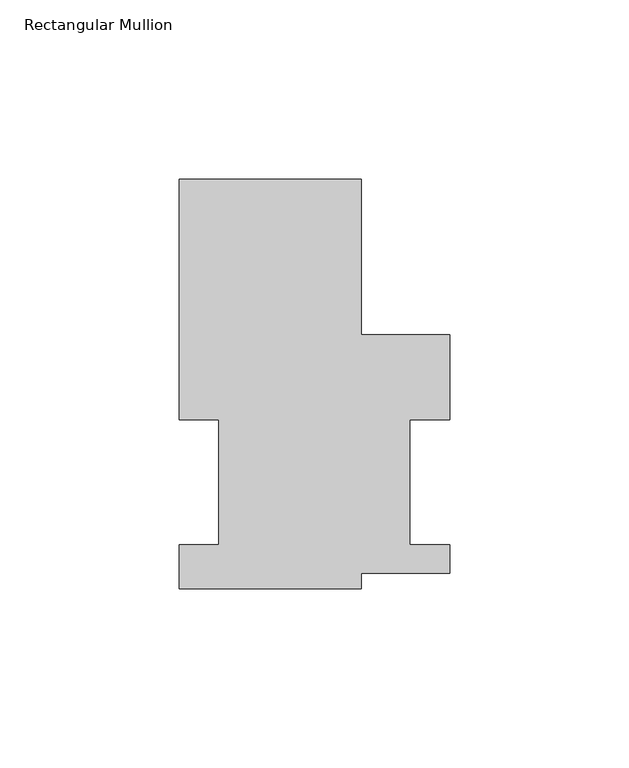
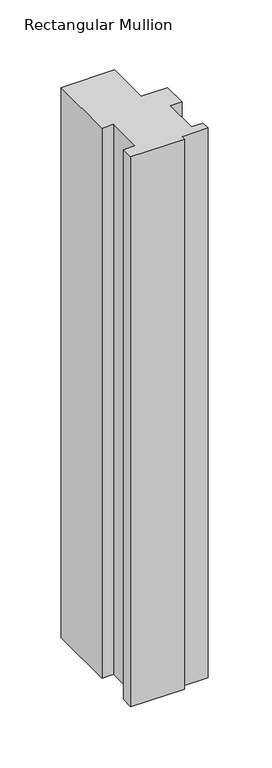
"""IFC4 building model written with IfcOpenShell, lengths in millimetres: member geometry, Rectangular Mullion."""

import ifcopenshell
import ifcopenshell.guid

model = None  # the IFC model being written
_history = None  # IfcOwnerHistory: only IFC2X3 demands one
_inside = {}  # id of a spatial element -> (the spatial element, [elements in it])
_under = {}  # id of a project, library or spatial element -> (it, [spatial elements below it])
_declared = {}  # id of a project -> (the project, [libraries it declares])
_typed = {}  # id of a type object -> (the type object, [elements of that type])
_made_of = {}  # id of a material, layer set ... -> (it, [elements and type objects made of it])


def new_model(schema):
    """Start an empty IFC model of exactly this schema.

    Asked for "IFC4X3", IfcOpenShell would pick the latest addendum, in which some entities
    have other attributes; the version numbers below select the first issue.
    IFC2X3 requires an IfcOwnerHistory on every rooted entity: one is made here for all.
    """
    global model, _history
    if schema == "IFC4X3":
        model = ifcopenshell.file(schema_version=(4, 3, 0, 0))
    else:
        model = ifcopenshell.file(schema=schema)
    _inside.clear()
    _under.clear()
    _declared.clear()
    _typed.clear()
    _made_of.clear()
    _history = None
    if model.schema == "IFC2X3":
        org = make("IfcOrganization", Name="unknown")
        user = make(
            "IfcPersonAndOrganization",
            ThePerson=make("IfcPerson", FamilyName="unknown"),
            TheOrganization=org,
        )
        app = make(
            "IfcApplication",
            ApplicationDeveloper=org,
            Version="unknown",
            ApplicationFullName="unknown",
            ApplicationIdentifier="unknown",
        )
        _history = make(
            "IfcOwnerHistory",
            OwningUser=user,
            OwningApplication=app,
            ChangeAction="ADDED",
            CreationDate=0,
        )
    return model


def make(cls, **values):
    """One entity of the class cls with the attributes given. An attribute that is None is left unset."""
    return model.create_entity(
        cls, **{name: value for name, value in values.items() if value is not None}
    )


def rooted(cls, **values):
    """An entity with a GlobalId (a new one), such as an element, a storey or a relation."""
    return make(cls, GlobalId=ifcopenshell.guid.new(), OwnerHistory=_history, **values)


def si_unit(unit_type, name, prefix=None):
    """IfcSIUnit, for example si_unit("LENGTHUNIT", "METRE", prefix="MILLI")."""
    return make("IfcSIUnit", UnitType=unit_type, Prefix=prefix, Name=name)


def assignment(units):
    """IfcUnitAssignment: the units of a project."""
    return None if units is None else make("IfcUnitAssignment", Units=units)


def point(xyz):
    """IfcCartesianPoint."""
    return None if xyz is None else make("IfcCartesianPoint", Coordinates=xyz)


def direction(xyz):
    """IfcDirection."""
    return None if xyz is None else make("IfcDirection", DirectionRatios=xyz)


def frame(location, z_axis=None, x_axis=None):
    """IfcAxis2Placement3D, a coordinate frame: its origin and axes. An axis left out is left unset."""
    return make(
        "IfcAxis2Placement3D",
        Location=point(location),
        Axis=direction(z_axis),
        RefDirection=direction(x_axis),
    )


def origin():
    """The frame at (0, 0, 0) with its axes left unset."""
    return frame((0.0, 0.0, 0.0))


def place(relative_to, where):
    """IfcLocalPlacement: puts the frame where relative to a parent placement (None: the world)."""
    return make(
        "IfcLocalPlacement", PlacementRelTo=relative_to, RelativePlacement=where
    )


def context(
    kind, dimensions, precision=None, world=None, true_north=None, identifier=None
):
    """IfcGeometricRepresentationContext, for example the 3D "Model" context."""
    return make(
        "IfcGeometricRepresentationContext",
        ContextIdentifier=identifier,
        ContextType=kind,
        CoordinateSpaceDimension=dimensions,
        Precision=precision,
        WorldCoordinateSystem=world,
        TrueNorth=true_north,
    )


def project(units=None, contexts=None):
    """IfcProject with its units and contexts."""
    return rooted(
        "IfcProject",
        Name="project",
        RepresentationContexts=contexts,
        UnitsInContext=assignment(units),
    )


def spatial(cls, under=None, at=None, **own):
    """A site, building, storey or space (cls), placed at a placement, below another one or the project."""
    s = rooted(cls, ObjectPlacement=at, **own)
    if under is not None:
        _under.setdefault(under.id(), (under, []))[1].append(s)
    return s


def polyline(points):
    """IfcPolyline through the points."""
    return make("IfcPolyline", Points=[point(p) for p in points])


def outline(outer, holes=None, kind="AREA"):
    """IfcArbitraryClosedProfileDef: a profile drawn as a closed curve; with holes, ...WithVoids."""
    if holes is None:
        return make("IfcArbitraryClosedProfileDef", ProfileType=kind, OuterCurve=outer)
    return make(
        "IfcArbitraryProfileDefWithVoids",
        ProfileType=kind,
        OuterCurve=outer,
        InnerCurves=holes,
    )


def extrude(swept, where, along, depth):
    """IfcExtrudedAreaSolid: the profile swept, set in the frame where, extruded along a direction by depth."""
    return make(
        "IfcExtrudedAreaSolid",
        SweptArea=swept,
        Position=where,
        ExtrudedDirection=direction(along),
        Depth=depth,
    )


def shape(context_of_items, identifier, shape_type, items):
    """IfcShapeRepresentation: the items that make up one representation, for example the "Body"."""
    return make(
        "IfcShapeRepresentation",
        ContextOfItems=context_of_items,
        RepresentationIdentifier=identifier,
        RepresentationType=shape_type,
        Items=items,
    )


def source(mapping_origin, context_of_items, identifier, shape_type, items):
    """IfcRepresentationMap: a shape defined once, which mapped items show again and again."""
    return make(
        "IfcRepresentationMap",
        MappingOrigin=mapping_origin,
        MappedRepresentation=shape(context_of_items, identifier, shape_type, items),
    )


def transform(
    local_origin,
    x_axis=None,
    y_axis=None,
    z_axis=None,
    scale=None,
    scale2=None,
    scale3=None,
    uniform=True,
):
    """IfcCartesianTransformationOperator3D, or its non-uniform kind. x_axis, y_axis, z_axis: its Axis1, 2, 3."""
    if uniform:
        return make(
            "IfcCartesianTransformationOperator3D",
            Axis1=direction(x_axis),
            Axis2=direction(y_axis),
            LocalOrigin=point(local_origin),
            Scale=scale,
            Axis3=direction(z_axis),
        )
    return make(
        "IfcCartesianTransformationOperator3DnonUniform",
        Axis1=direction(x_axis),
        Axis2=direction(y_axis),
        LocalOrigin=point(local_origin),
        Scale=scale,
        Axis3=direction(z_axis),
        Scale2=scale2,
        Scale3=scale3,
    )


def mapped(mapping_source, mapping_target):
    """IfcMappedItem: shows the shape of a source again, moved by a transform."""
    return make(
        "IfcMappedItem", MappingSource=mapping_source, MappingTarget=mapping_target
    )


def made_of(thing, what):
    """Note that an element or type object is made of a material, layer set ...; save() writes the relation."""
    if what is not None:
        _made_of.setdefault(what.id(), (what, []))[1].append(thing)
    return thing


def element(
    cls,
    number,
    at=None,
    inside=None,
    cuts=None,
    type_object=None,
    material=None,
    context=None,
    identifier="Body",
    shape_type=None,
    held_by="IfcProductDefinitionShape",
    body=None,
    shapes=None,
    **own,
):
    """One element of the class cls, such as IfcWall. Its Tag is "e" and its number.

    at: its placement. inside: the storey or other place that contains it. cuts: it is an
    opening in that element (IfcRelVoidsElement). A single representation is given by context,
    identifier, shape_type and body (its items); several are given by shapes. held_by: the class
    of the entity that holds the representations. save() writes the other relations.
    """
    e = rooted(cls, Tag="e%d" % number, ObjectPlacement=at, **own)
    if body is not None:
        shapes = [shape(context, identifier, shape_type, body)]
    if shapes is not None:
        e.Representation = make(held_by, Representations=shapes)
    if inside is not None:
        _inside.setdefault(inside.id(), (inside, []))[1].append(e)
    if cuts is not None:
        rooted(
            "IfcRelVoidsElement", RelatingBuildingElement=cuts, RelatedOpeningElement=e
        )
    if type_object is not None:
        _typed.setdefault(type_object.id(), (type_object, []))[1].append(e)
    return made_of(e, material)


def aggregate(whole, parts):
    """IfcRelAggregates: a whole, such as a stair, and the parts it consists of."""
    return rooted("IfcRelAggregates", RelatingObject=whole, RelatedObjects=parts)


def save(model, path):
    """Write the relations noted so far, then the file.

    IfcRelAggregates (storeys below a building ...), IfcRelContainedInSpatialStructure (elements
    in a storey), IfcRelDefinesByType, IfcRelAssociatesMaterial and IfcRelDeclares: one each for
    every whole, place, type object, material and project.
    """
    for whole, parts in _under.values():
        aggregate(whole, parts)
    for where, things in _inside.values():
        rooted(
            "IfcRelContainedInSpatialStructure",
            RelatedElements=things,
            RelatingStructure=where,
        )
    for kind, things in _typed.values():
        rooted("IfcRelDefinesByType", RelatedObjects=things, RelatingType=kind)
    for what, things in _made_of.values():
        rooted("IfcRelAssociatesMaterial", RelatedObjects=things, RelatingMaterial=what)
    for by, libraries in _declared.values():
        rooted("IfcRelDeclares", RelatingContext=by, RelatedDefinitions=libraries)
    model.write(path)


def rectangular_mullion_f050a438(model_context):
    return source(origin(), model_context, "Body", "SweptSolid", [
        extrude(outline(polyline([(-25.4, 114.252375), (25.4, 114.252375), (25.4, 70.767575), (50.165, 70.767575), (50.165, 47.069375), (39.0398, 47.069375), (39.0398, 12.144375), (50.165, 12.144375), (50.165, 4.219575), (25.4, 4.219575), (25.4, -0.047625), (-25.4, -0.047625), (-25.4, 12.144375), (-14.2875, 12.144375), (-14.2875, 47.069375), (-25.4, 47.069375), (-25.4, 114.252375)])), frame((0.0, 0.0, -549.2748985), z_axis=(0.0, 0.0, 1.0), x_axis=(1.0, 0.0, 0.0)), (0.0, 0.0, 1.0), 549.2748985),
    ])


if __name__ == "__main__":
    model = new_model("IFC4")
    model_context = context("Model", 3, world=origin())
    ifc_project = project(units=[si_unit("LENGTHUNIT", "METRE", prefix="MILLI")], contexts=[model_context])
    site = spatial("IfcSite", under=ifc_project)
    building = spatial("IfcBuilding", under=site)
    placement = place(None, origin())
    rectangular_mullion_shape = rectangular_mullion_f050a438(model_context)
    element("IfcMember", 1, ObjectType="Rectangular Mullion", at=placement, inside=building, context=model_context, shape_type="MappedRepresentation", body=[
        mapped(rectangular_mullion_shape, transform((0.0, 0.0, 0.0), x_axis=(1.0, 0.0, 0.0), y_axis=(0.0, 1.0, 0.0), z_axis=(0.0, 0.0, 1.0))),
    ])
    save(model, "model.ifc")
